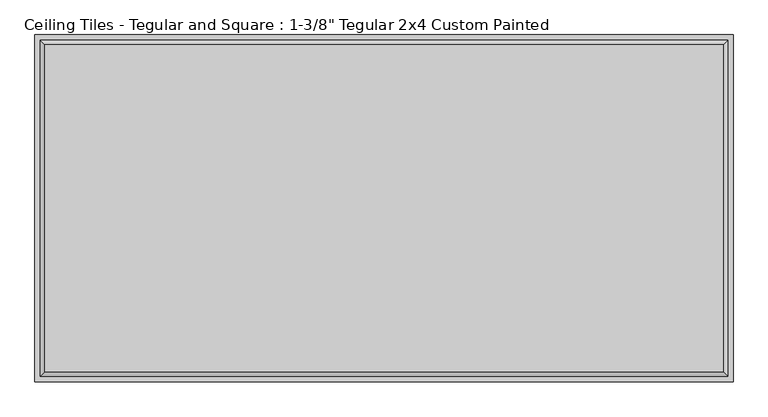
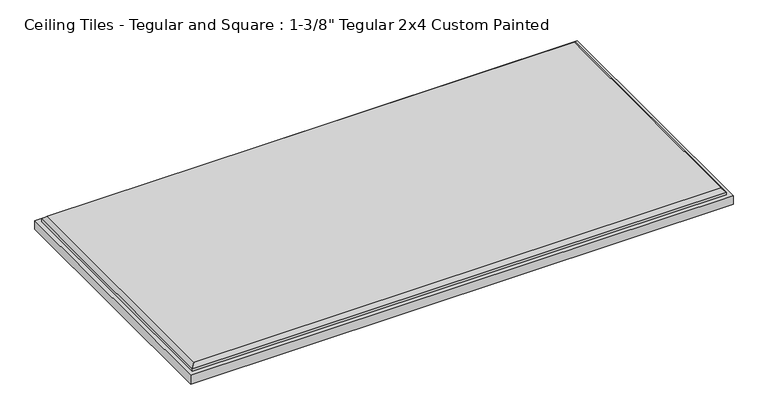
"""IFC4 building model written with IfcOpenShell, lengths in millimetres: proxy geometry."""

from ifc_helpers import new_model, si_unit, origin, place, context, project, spatial, faceted_brep, source, transform, mapped, element, save


def proxy_d259e0d8(model_context):
    return source(origin(), model_context, "Body", "Brep", [
        faceted_brep([(588.899, 284.099, 34.925), (-588.899, 284.099, 34.925), (-588.899, -284.099, 34.925), (588.899, -284.099, 34.925), (-606.425, 301.625, 0.0), (606.425, 301.625, 0.0), (606.425, -301.625, 0.0), (-606.425, -301.625, 0.0), (-606.425, -301.625, 20.6375), (-606.425, 301.625, 20.6375), (606.425, -301.625, 20.6375), (606.425, 301.625, 20.6375), (596.9, 292.1, 26.924), (-596.9, 292.1, 26.924), (-596.9, -292.1, 26.924), (596.9, -292.1, 26.924), (596.9, 292.1, 20.6375), (-596.9, 292.1, 20.6375), (-596.9, -292.1, 20.6375), (596.9, -292.1, 20.6375)], [[[0, 1, 2, 3]], [[4, 5, 6, 7]], [[4, 7, 8, 9]], [[7, 6, 10, 8]], [[6, 5, 11, 10]], [[5, 4, 9, 11]], [[12, 13, 1, 0]], [[1, 13, 14, 2]], [[2, 14, 15, 3]], [[12, 0, 3, 15]], [[16, 17, 13, 12]], [[13, 17, 18, 14]], [[14, 18, 19, 15]], [[16, 12, 15, 19]], [[9, 8, 10, 11], [17, 16, 19, 18]]]),
    ])


if __name__ == "__main__":
    model = new_model("IFC4")
    model_context = context("Model", 3, world=origin())
    ifc_project = project(units=[si_unit("LENGTHUNIT", "METRE", prefix="MILLI")], contexts=[model_context])
    site = spatial("IfcSite", under=ifc_project)
    building = spatial("IfcBuilding", under=site)
    placement = place(None, origin())
    proxy_shape = proxy_d259e0d8(model_context)
    element("IfcBuildingElementProxy", 1, Name="Ceiling Tiles - Tegular and Square : 1-3/8\" Tegular 2x4 Custom Painted", ObjectType="Ceiling Tiles - Tegular and Square : 1-3/8\" Tegular 2x4 Custom Painted", at=placement, inside=building, context=model_context, shape_type="MappedRepresentation", body=[
        mapped(proxy_shape, transform((0.0, 0.0, 0.0), x_axis=(1.0, 0.0, 0.0), y_axis=(0.0, 1.0, 0.0), z_axis=(0.0, 0.0, 1.0))),
    ])
    save(model, "model.ifc")
